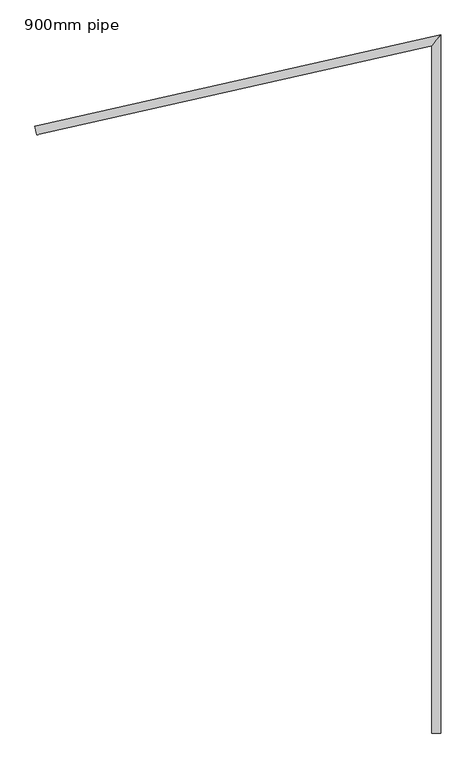
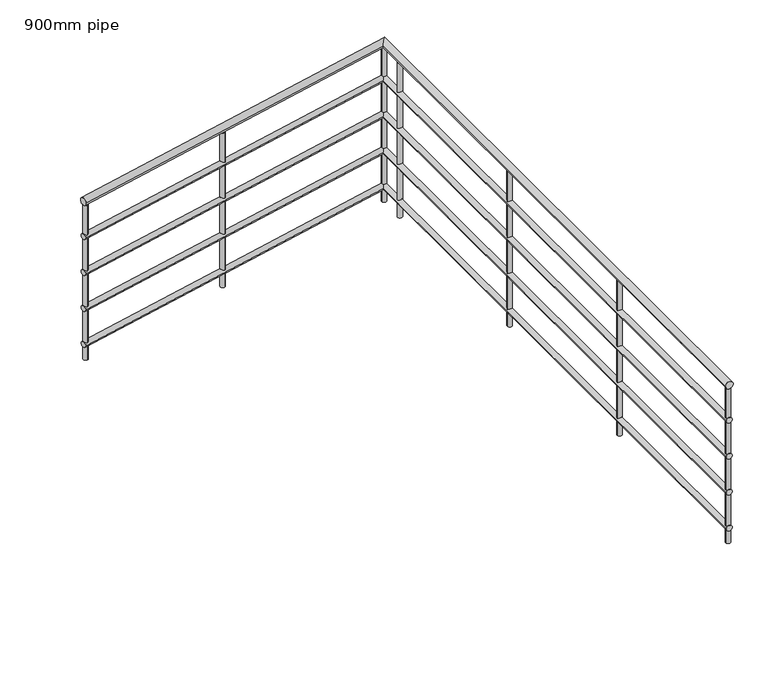
"""IFC4 building model written with IfcOpenShell, lengths in millimetres: railing geometry, 900mm pipe."""

from ifc_helpers import new_model, si_unit, point, frame, frame_2d, origin, origin_with_axes, place, context, project, spatial, circle_curve, ellipse_curve, trimmed, segment, composite_curve, outline, extrude, source, transform, mapped, element, save
from ifc_brep_helpers import plane_surface, cylinder_surface, advanced_brep


def railing_900mm_pipe_ed5a7682(model_context):
    return source(origin(), model_context, "Body", "SolidModel", [
        advanced_brep(
        [(3219.840733, 4317.4434095, 880.0), (3259.840733, 4317.4434095, 880.0), (3219.840733, 7436.1067123, 880.0), (3259.840733, 7486.1306288, 880.0), (1427.2744352, 7031.9005863, 880.0), (1418.4757424, 7070.920876, 880.0)],
        [
            (0, 1, circle_curve(frame((3239.840733, 4317.4434095, 880.0), z_axis=(0.0, -1.0, 0.0), x_axis=(1.0, 0.0, 0.0)), 20.0)),
            (1, 0, circle_curve(frame((3239.840733, 4317.4434095, 880.0), z_axis=(0.0, -1.0, 0.0), x_axis=(1.0, 0.0, 0.0)), 20.0)),
            (0, 2),
            (2, 3, ellipse_curve(frame((3239.840733, 7461.1186705, 880.0), z_axis=(0.7810145066491265, -0.624512882496127, 0.0), x_axis=(-0.6245128824961269, -0.7810145066491266, 0.0)), 32.0249599, 20.0)),
            (3, 1),
            (3, 2, ellipse_curve(frame((3239.840733, 7461.1186705, 880.0), z_axis=(0.7810145066491265, -0.624512882496127, 0.0), x_axis=(-0.6245128824961269, -0.7810145066491266, 0.0)), 32.0249599, 20.0)),
            (4, 5, circle_curve(frame((1422.8750888, 7051.4107312, 880.0), z_axis=(-0.9755072416374727, -0.21996731919276005, 0.0), x_axis=(-0.21996731919276005, 0.9755072416374727, 0.0)), 20.0)),
            (5, 4, circle_curve(frame((1422.8750888, 7051.4107312, 880.0), z_axis=(-0.9755072416374727, -0.21996731919276005, 0.0), x_axis=(-0.21996731919276005, 0.9755072416374727, 0.0)), 20.0)),
            (2, 4),
            (5, 3),
        ],
        [
            plane_surface(frame((3239.840733, 4317.4434095, 900.0), z_axis=(0.0, -1.0, 0.0), x_axis=(0.0, 0.0, 1.0))),
            cylinder_surface(frame((3239.840733, 4317.4434095, 880.0), z_axis=(0.0, -1.0, 0.0), x_axis=(1.0, 0.0, 0.0)), 20.0),
            plane_surface(frame((1422.8750888, 7051.4107312, 900.0), z_axis=(-0.9755072416374727, -0.21996731919276, 0.0), x_axis=(0.21996731919276, -0.9755072416374727, 0.0))),
            cylinder_surface(frame((3239.840733, 7461.1186705, 880.0), z_axis=(0.9755072416374727, 0.21996731919276005, 0.0), x_axis=(-0.21996731919276005, 0.9755072416374727, 0.0)), 20.0),
        ],
        [
            (0, [[1, 2]]),
            (1, [[-1, 3, 4, 5]]),
            (1, [[-2, -5, 6, -3]]),
            (2, [[7, 8]]),
            (3, [[-4, 9, -8, 10]]),
            (3, [[-6, -10, -7, -9]]),
        ],
    ),
        advanced_brep(
        [(3224.840733, 4317.4434095, 685.0), (3254.840733, 4317.4434095, 685.0), (3224.840733, 7442.3597019, 685.0), (3254.840733, 7479.8776392, 685.0), (1426.1745986, 7036.7781225, 685.0), (1419.575579, 7066.0433398, 685.0)],
        [
            (0, 1, circle_curve(frame((3239.840733, 4317.4434095, 685.0), z_axis=(0.0, -1.0, 0.0), x_axis=(1.0, 0.0, 0.0)), 15.0)),
            (1, 0, circle_curve(frame((3239.840733, 4317.4434095, 685.0), z_axis=(0.0, -1.0, 0.0), x_axis=(1.0, 0.0, 0.0)), 15.0)),
            (0, 2),
            (2, 3, ellipse_curve(frame((3239.840733, 7461.1186705, 685.0), z_axis=(0.7810145066491265, -0.624512882496127, 0.0), x_axis=(-0.6245128824961269, -0.7810145066491266, 0.0)), 24.0187199, 15.0)),
            (3, 1),
            (3, 2, ellipse_curve(frame((3239.840733, 7461.1186705, 685.0), z_axis=(0.7810145066491265, -0.624512882496127, 0.0), x_axis=(-0.6245128824961269, -0.7810145066491266, 0.0)), 24.0187199, 15.0)),
            (4, 5, circle_curve(frame((1422.8750888, 7051.4107312, 685.0), z_axis=(-0.9755072416374727, -0.21996731919276005, 0.0), x_axis=(-0.21996731919276005, 0.9755072416374727, 0.0)), 15.0)),
            (5, 4, circle_curve(frame((1422.8750888, 7051.4107312, 685.0), z_axis=(-0.9755072416374727, -0.21996731919276005, 0.0), x_axis=(-0.21996731919276005, 0.9755072416374727, 0.0)), 15.0)),
            (2, 4),
            (5, 3),
        ],
        [
            plane_surface(frame((3239.840733, 4317.4434095, 700.0), z_axis=(0.0, -1.0, 0.0), x_axis=(0.0, 0.0, 1.0))),
            cylinder_surface(frame((3239.840733, 4317.4434095, 685.0), z_axis=(0.0, -1.0, 0.0), x_axis=(1.0, 0.0, 0.0)), 15.0),
            plane_surface(frame((1422.8750888, 7051.4107312, 700.0), z_axis=(-0.9755072416374727, -0.21996731919276, 0.0), x_axis=(0.21996731919276, -0.9755072416374727, 0.0))),
            cylinder_surface(frame((3239.840733, 7461.1186705, 685.0), z_axis=(0.9755072416374727, 0.21996731919276005, 0.0), x_axis=(-0.21996731919276005, 0.9755072416374727, 0.0)), 15.0),
        ],
        [
            (0, [[1, 2]]),
            (1, [[-1, 3, 4, 5]]),
            (1, [[-2, -5, 6, -3]]),
            (2, [[7, 8]]),
            (3, [[-4, 9, -8, 10]]),
            (3, [[-6, -10, -7, -9]]),
        ],
    ),
        advanced_brep(
        [(3224.840733, 4317.4434095, 485.0), (3254.840733, 4317.4434095, 485.0), (3224.840733, 7442.3597019, 485.0), (3254.840733, 7479.8776392, 485.0), (1426.1745986, 7036.7781225, 485.0), (1419.575579, 7066.0433398, 485.0)],
        [
            (0, 1, circle_curve(frame((3239.840733, 4317.4434095, 485.0), z_axis=(0.0, -1.0, 0.0), x_axis=(1.0, 0.0, 0.0)), 15.0)),
            (1, 0, circle_curve(frame((3239.840733, 4317.4434095, 485.0), z_axis=(0.0, -1.0, 0.0), x_axis=(1.0, 0.0, 0.0)), 15.0)),
            (0, 2),
            (2, 3, ellipse_curve(frame((3239.840733, 7461.1186705, 485.0), z_axis=(0.7810145066491265, -0.624512882496127, 0.0), x_axis=(-0.6245128824961269, -0.7810145066491266, 0.0)), 24.0187199, 15.0)),
            (3, 1),
            (3, 2, ellipse_curve(frame((3239.840733, 7461.1186705, 485.0), z_axis=(0.7810145066491265, -0.624512882496127, 0.0), x_axis=(-0.6245128824961269, -0.7810145066491266, 0.0)), 24.0187199, 15.0)),
            (4, 5, circle_curve(frame((1422.8750888, 7051.4107312, 485.0), z_axis=(-0.9755072416374727, -0.21996731919276005, 0.0), x_axis=(-0.21996731919276005, 0.9755072416374727, 0.0)), 15.0)),
            (5, 4, circle_curve(frame((1422.8750888, 7051.4107312, 485.0), z_axis=(-0.9755072416374727, -0.21996731919276005, 0.0), x_axis=(-0.21996731919276005, 0.9755072416374727, 0.0)), 15.0)),
            (2, 4),
            (5, 3),
        ],
        [
            plane_surface(frame((3239.840733, 4317.4434095, 500.0), z_axis=(0.0, -1.0, 0.0), x_axis=(0.0, 0.0, 1.0))),
            cylinder_surface(frame((3239.840733, 4317.4434095, 485.0), z_axis=(0.0, -1.0, 0.0), x_axis=(1.0, 0.0, 0.0)), 15.0),
            plane_surface(frame((1422.8750888, 7051.4107312, 500.0), z_axis=(-0.9755072416374727, -0.21996731919276, 0.0), x_axis=(0.21996731919276, -0.9755072416374727, 0.0))),
            cylinder_surface(frame((3239.840733, 7461.1186705, 485.0), z_axis=(0.9755072416374727, 0.21996731919276005, 0.0), x_axis=(-0.21996731919276005, 0.9755072416374727, 0.0)), 15.0),
        ],
        [
            (0, [[1, 2]]),
            (1, [[-1, 3, 4, 5]]),
            (1, [[-2, -5, 6, -3]]),
            (2, [[7, 8]]),
            (3, [[-4, 9, -8, 10]]),
            (3, [[-6, -10, -7, -9]]),
        ],
    ),
        advanced_brep(
        [(3224.840733, 4317.4434095, 285.0), (3254.840733, 4317.4434095, 285.0), (3224.840733, 7442.3597019, 285.0), (3254.840733, 7479.8776392, 285.0), (1426.1745986, 7036.7781225, 285.0), (1419.575579, 7066.0433398, 285.0)],
        [
            (0, 1, circle_curve(frame((3239.840733, 4317.4434095, 285.0), z_axis=(0.0, -1.0, 0.0), x_axis=(1.0, 0.0, 0.0)), 15.0)),
            (1, 0, circle_curve(frame((3239.840733, 4317.4434095, 285.0), z_axis=(0.0, -1.0, 0.0), x_axis=(1.0, 0.0, 0.0)), 15.0)),
            (0, 2),
            (2, 3, ellipse_curve(frame((3239.840733, 7461.1186705, 285.0), z_axis=(0.7810145066491265, -0.624512882496127, 0.0), x_axis=(-0.6245128824961269, -0.7810145066491266, 0.0)), 24.0187199, 15.0)),
            (3, 1),
            (3, 2, ellipse_curve(frame((3239.840733, 7461.1186705, 285.0), z_axis=(0.7810145066491265, -0.624512882496127, 0.0), x_axis=(-0.6245128824961269, -0.7810145066491266, 0.0)), 24.0187199, 15.0)),
            (4, 5, circle_curve(frame((1422.8750888, 7051.4107312, 285.0), z_axis=(-0.9755072416374727, -0.21996731919276005, 0.0), x_axis=(-0.21996731919276005, 0.9755072416374727, 0.0)), 15.0)),
            (5, 4, circle_curve(frame((1422.8750888, 7051.4107312, 285.0), z_axis=(-0.9755072416374727, -0.21996731919276005, 0.0), x_axis=(-0.21996731919276005, 0.9755072416374727, 0.0)), 15.0)),
            (2, 4),
            (5, 3),
        ],
        [
            plane_surface(frame((3239.840733, 4317.4434095, 300.0), z_axis=(0.0, -1.0, 0.0), x_axis=(0.0, 0.0, 1.0))),
            cylinder_surface(frame((3239.840733, 4317.4434095, 285.0), z_axis=(0.0, -1.0, 0.0), x_axis=(1.0, 0.0, 0.0)), 15.0),
            plane_surface(frame((1422.8750888, 7051.4107312, 300.0), z_axis=(-0.9755072416374727, -0.21996731919276, 0.0), x_axis=(0.21996731919276, -0.9755072416374727, 0.0))),
            cylinder_surface(frame((3239.840733, 7461.1186705, 285.0), z_axis=(0.9755072416374727, 0.21996731919276005, 0.0), x_axis=(-0.21996731919276005, 0.9755072416374727, 0.0)), 15.0),
        ],
        [
            (0, [[1, 2]]),
            (1, [[-1, 3, 4, 5]]),
            (1, [[-2, -5, 6, -3]]),
            (2, [[7, 8]]),
            (3, [[-4, 9, -8, 10]]),
            (3, [[-6, -10, -7, -9]]),
        ],
    ),
        advanced_brep(
        [(3224.840733, 4317.4434095, 85.0), (3254.840733, 4317.4434095, 85.0), (3224.840733, 7442.3597019, 85.0), (3254.840733, 7479.8776392, 85.0), (1426.1745986, 7036.7781225, 85.0), (1419.575579, 7066.0433398, 85.0)],
        [
            (0, 1, circle_curve(frame((3239.840733, 4317.4434095, 85.0), z_axis=(0.0, -1.0, 0.0), x_axis=(1.0, 0.0, 0.0)), 15.0)),
            (1, 0, circle_curve(frame((3239.840733, 4317.4434095, 85.0), z_axis=(0.0, -1.0, 0.0), x_axis=(1.0, 0.0, 0.0)), 15.0)),
            (0, 2),
            (2, 3, ellipse_curve(frame((3239.840733, 7461.1186705, 85.0), z_axis=(0.7810145066491265, -0.624512882496127, 0.0), x_axis=(-0.6245128824961269, -0.7810145066491266, 0.0)), 24.0187199, 15.0)),
            (3, 1),
            (3, 2, ellipse_curve(frame((3239.840733, 7461.1186705, 85.0), z_axis=(0.7810145066491265, -0.624512882496127, 0.0), x_axis=(-0.6245128824961269, -0.7810145066491266, 0.0)), 24.0187199, 15.0)),
            (4, 5, circle_curve(frame((1422.8750888, 7051.4107312, 85.0), z_axis=(-0.9755072416374727, -0.21996731919276005, 0.0), x_axis=(-0.21996731919276005, 0.9755072416374727, 0.0)), 15.0)),
            (5, 4, circle_curve(frame((1422.8750888, 7051.4107312, 85.0), z_axis=(-0.9755072416374727, -0.21996731919276005, 0.0), x_axis=(-0.21996731919276005, 0.9755072416374727, 0.0)), 15.0)),
            (2, 4),
            (5, 3),
        ],
        [
            plane_surface(frame((3239.840733, 4317.4434095, 100.0), z_axis=(0.0, -1.0, 0.0), x_axis=(0.0, 0.0, 1.0))),
            cylinder_surface(frame((3239.840733, 4317.4434095, 85.0), z_axis=(0.0, -1.0, 0.0), x_axis=(1.0, 0.0, 0.0)), 15.0),
            plane_surface(frame((1422.8750888, 7051.4107312, 100.0), z_axis=(-0.9755072416374727, -0.21996731919276, 0.0), x_axis=(0.21996731919276, -0.9755072416374727, 0.0))),
            cylinder_surface(frame((3239.840733, 7461.1186705, 85.0), z_axis=(0.9755072416374727, 0.21996731919276005, 0.0), x_axis=(-0.21996731919276005, 0.9755072416374727, 0.0)), 15.0),
        ],
        [
            (0, [[1, 2]]),
            (1, [[-1, 3, 4, 5]]),
            (1, [[-2, -5, 6, -3]]),
            (2, [[7, 8]]),
            (3, [[-4, 9, -8, 10]]),
            (3, [[-6, -10, -7, -9]]),
        ],
    ),
        extrude(outline(composite_curve([segment(trimmed(circle_curve(frame_2d((2264.3334914, 7241.1513514)), 12.5), [point((2267.0830829, 7228.9575108))], [point((2261.5838999, 7253.3451919))], False, "CARTESIAN"), True, "CONTINUOUS"), segment(trimmed(circle_curve(frame_2d((2264.3334914, 7241.1513514)), 12.5), [point((2261.5838999, 7253.3451919))], [point((2267.0830829, 7228.9575108))], False, "CARTESIAN"), True, "CONTINUOUS")], self_intersect=False)), origin_with_axes(), (0.0, 0.0, 1.0), 860.0),
        extrude(outline(composite_curve([segment(trimmed(circle_curve(frame_2d((3239.840733, 7317.4434095)), 12.5), [point((3227.340733, 7317.4434095))], [point((3252.340733, 7317.4434095))], False, "CARTESIAN"), True, "CONTINUOUS"), segment(trimmed(circle_curve(frame_2d((3239.840733, 7317.4434095)), 12.5), [point((3252.340733, 7317.4434095))], [point((3227.340733, 7317.4434095))], False, "CARTESIAN"), True, "CONTINUOUS")], self_intersect=False)), origin_with_axes(), (0.0, 0.0, 1.0), 860.0),
        extrude(outline(composite_curve([segment(trimmed(circle_curve(frame_2d((3239.840733, 6317.4434095)), 12.5), [point((3227.340733, 6317.4434095))], [point((3252.340733, 6317.4434095))], False, "CARTESIAN"), True, "CONTINUOUS"), segment(trimmed(circle_curve(frame_2d((3239.840733, 6317.4434095)), 12.5), [point((3252.340733, 6317.4434095))], [point((3227.340733, 6317.4434095))], False, "CARTESIAN"), True, "CONTINUOUS")], self_intersect=False)), origin_with_axes(), (0.0, 0.0, 1.0), 860.0),
        extrude(outline(composite_curve([segment(trimmed(circle_curve(frame_2d((3239.840733, 5317.4434095)), 12.5), [point((3227.340733, 5317.4434095))], [point((3252.340733, 5317.4434095))], False, "CARTESIAN"), True, "CONTINUOUS"), segment(trimmed(circle_curve(frame_2d((3239.840733, 5317.4434095)), 12.5), [point((3252.340733, 5317.4434095))], [point((3227.340733, 5317.4434095))], False, "CARTESIAN"), True, "CONTINUOUS")], self_intersect=False)), origin_with_axes(), (0.0, 0.0, 1.0), 860.0),
        extrude(outline(composite_curve([segment(trimmed(circle_curve(frame_2d((3239.840733, 7461.1186705)), 12.5), [point((3227.340733, 7461.1186705))], [point((3252.340733, 7461.1186705))], False, "CARTESIAN"), True, "CONTINUOUS"), segment(trimmed(circle_curve(frame_2d((3239.840733, 7461.1186705)), 12.5), [point((3252.340733, 7461.1186705))], [point((3227.340733, 7461.1186705))], False, "CARTESIAN"), True, "CONTINUOUS")], self_intersect=False)), origin_with_axes(), (0.0, 0.0, 1.0), 860.0),
        extrude(outline(composite_curve([segment(trimmed(circle_curve(frame_2d((1435.0689293, 7054.1603227)), 12.5), [point((1437.8185208, 7041.9664821))], [point((1432.3193379, 7066.3541632))], False, "CARTESIAN"), True, "CONTINUOUS"), segment(trimmed(circle_curve(frame_2d((1435.0689293, 7054.1603227)), 12.5), [point((1432.3193379, 7066.3541632))], [point((1437.8185208, 7041.9664821))], False, "CARTESIAN"), True, "CONTINUOUS")], self_intersect=False)), origin_with_axes(), (0.0, 0.0, 1.0), 860.0),
        extrude(outline(composite_curve([segment(trimmed(circle_curve(frame_2d((3239.840733, 4329.9434095)), 12.5), [point((3227.340733, 4329.9434095))], [point((3252.340733, 4329.9434095))], False, "CARTESIAN"), True, "CONTINUOUS"), segment(trimmed(circle_curve(frame_2d((3239.840733, 4329.9434095)), 12.5), [point((3252.340733, 4329.9434095))], [point((3227.340733, 4329.9434095))], False, "CARTESIAN"), True, "CONTINUOUS")], self_intersect=False)), origin_with_axes(), (0.0, 0.0, 1.0), 860.0),
    ])


if __name__ == "__main__":
    model = new_model("IFC4")
    model_context = context("Model", 3, world=origin())
    ifc_project = project(units=[si_unit("LENGTHUNIT", "METRE", prefix="MILLI")], contexts=[model_context])
    site = spatial("IfcSite", under=ifc_project)
    building = spatial("IfcBuilding", under=site)
    placement = place(None, origin())
    railing_900mm_pipe_shape = railing_900mm_pipe_ed5a7682(model_context)
    element("IfcRailing", 1, ObjectType="900mm pipe", at=placement, inside=building, context=model_context, shape_type="MappedRepresentation", body=[
        mapped(railing_900mm_pipe_shape, transform((0.0, 0.0, 0.0), x_axis=(1.0, 0.0, 0.0), y_axis=(0.0, 1.0, 0.0), z_axis=(0.0, 0.0, 1.0))),
    ])
    save(model, "model.ifc")
